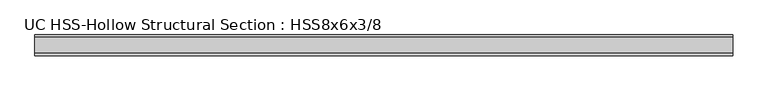
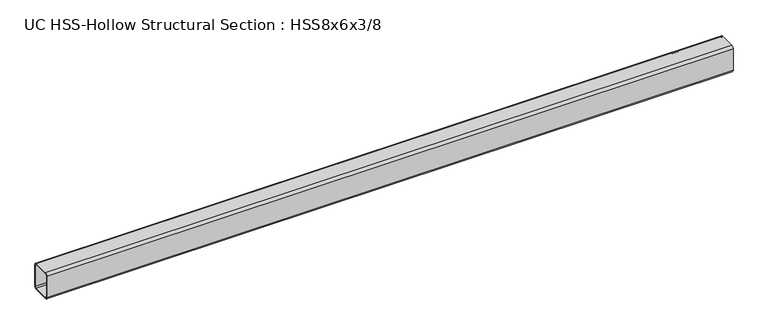
"""IFC4 building model written with IfcOpenShell, lengths in millimetres: beam geometry, UC HSS-Hollow Structural Section : HSS8x6x3/8."""

from ifc_helpers import new_model, si_unit, point, frame, frame_2d, origin, place, context, project, spatial, polyline, circle_curve, trimmed, segment, composite_curve, outline, extrude, source, transform, mapped, element, save


def uc_hss_hollow_structural_section_hss8x6x3_8_7e9fa3ab(model_context):
    return source(origin(), model_context, "Body", "SweptSolid", [
        extrude(outline(composite_curve([segment(trimmed(circle_curve(frame_2d((-58.4708, 83.8708)), 17.7292), [point((-76.2, 83.8708))], [point((-58.4708, 101.6))], False, "CARTESIAN"), True, "CONTINUOUS"), segment(polyline([(-58.4708, 101.6), (58.4708, 101.6)]), True, "CONTINUOUS"), segment(trimmed(circle_curve(frame_2d((58.4708, 83.8708)), 17.7292), [point((58.4708, 101.6))], [point((76.2, 83.8708))], False, "CARTESIAN"), True, "CONTINUOUS"), segment(polyline([(76.2, 83.8708), (76.2, -83.8708)]), True, "CONTINUOUS"), segment(trimmed(circle_curve(frame_2d((58.4708, -83.8708)), 17.7292), [point((76.2, -83.8708))], [point((58.4708, -101.6))], False, "CARTESIAN"), True, "CONTINUOUS"), segment(polyline([(58.4708, -101.6), (-58.4708, -101.6)]), True, "CONTINUOUS"), segment(trimmed(circle_curve(frame_2d((-58.4708, -83.8708)), 17.7292), [point((-58.4708, -101.6))], [point((-76.2, -83.8708))], False, "CARTESIAN"), True, "CONTINUOUS"), segment(polyline([(-76.2, -83.8708), (-76.2, 83.8708)]), True, "CONTINUOUS")], self_intersect=False), holes=[composite_curve([segment(polyline([(58.4708, 92.7354), (-58.4708, 92.7354)]), True, "CONTINUOUS"), segment(trimmed(circle_curve(frame_2d((-58.4708, 83.8708)), 8.8646), [point((-58.4708, 92.7354))], [point((-67.3354, 83.8708))], True, "CARTESIAN"), True, "CONTINUOUS"), segment(polyline([(-67.3354, 83.8708), (-67.3354, -83.8708)]), True, "CONTINUOUS"), segment(trimmed(circle_curve(frame_2d((-58.4708, -83.8708)), 8.8646), [point((-67.3354, -83.8708))], [point((-58.4708, -92.7354))], True, "CARTESIAN"), True, "CONTINUOUS"), segment(polyline([(-58.4708, -92.7354), (58.4708, -92.7354)]), True, "CONTINUOUS"), segment(trimmed(circle_curve(frame_2d((58.4708, -83.8708)), 8.8646), [point((58.4708, -92.7354))], [point((67.3354, -83.8708))], True, "CARTESIAN"), True, "CONTINUOUS"), segment(polyline([(67.3354, -83.8708), (67.3354, 83.8708)]), True, "CONTINUOUS"), segment(trimmed(circle_curve(frame_2d((58.4708, 83.8708)), 8.8646), [point((67.3354, 83.8708))], [point((58.4708, 92.7354))], True, "CARTESIAN"), True, "CONTINUOUS")], self_intersect=False)]), frame((-2557.4625, 0.0, 0.0), z_axis=(1.0, 0.0, 0.0), x_axis=(0.0, 1.0, 0.0)), (0.0, 0.0, 1.0), 5102.2249994),
    ])


if __name__ == "__main__":
    model = new_model("IFC4")
    model_context = context("Model", 3, world=origin())
    ifc_project = project(units=[si_unit("LENGTHUNIT", "METRE", prefix="MILLI")], contexts=[model_context])
    site = spatial("IfcSite", under=ifc_project)
    building = spatial("IfcBuilding", under=site)
    placement = place(None, origin())
    uc_hss_hollow_structural_section_hss8x6x3_8_shape = uc_hss_hollow_structural_section_hss8x6x3_8_7e9fa3ab(model_context)
    element("IfcBeam", 1, ObjectType="UC HSS-Hollow Structural Section : HSS8x6x3/8", at=placement, inside=building, context=model_context, shape_type="MappedRepresentation", body=[
        mapped(uc_hss_hollow_structural_section_hss8x6x3_8_shape, transform((0.0, 0.0, 0.0), x_axis=(1.0, 0.0, 0.0), y_axis=(0.0, 1.0, 0.0), z_axis=(0.0, 0.0, 1.0))),
    ])
    save(model, "model.ifc")
